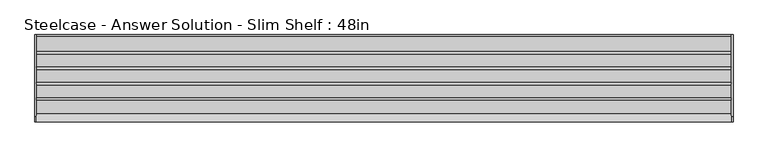
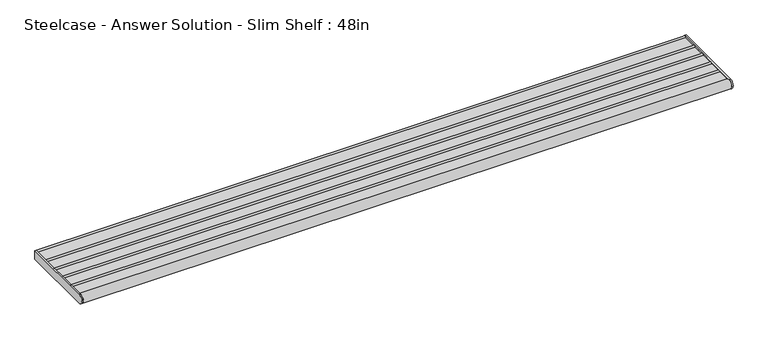
"""IFC4 building model written with IfcOpenShell, lengths in millimetres: furniture geometry, Steelcase - Answer Solution - Slim Shelf : 48in."""

from ifc_helpers import new_model, si_unit, point, frame, frame_2d, origin, place, context, project, spatial, polyline, circle_curve, trimmed, segment, composite_curve, outline, extrude, source, transform, mapped, element, save


def steelcase_answer_solution_slim_shelf_48in_e23fa44c(model_context):
    return source(origin(), model_context, "Body", "SweptSolid", [
        extrude(outline(composite_curve([segment(polyline([(-29.2099994, 928.482716), (-2.2859999, 928.482716)]), True, "CONTINUOUS"), segment(trimmed(circle_curve(frame_2d((1e-07, 928.482716)), 2.2860001), [point((-2.2859999, 928.482716))], [point((0.0, 930.7687161))], False, "CARTESIAN"), True, "CONTINUOUS"), segment(polyline([(0.0, 930.7687161), (0.0, 914.4), (-143.9753135, 914.4)]), True, "CONTINUOUS"), segment(trimmed(circle_curve(frame_2d((-143.9753135, 922.8328065)), 8.4328065), [point((-143.9753135, 914.4))], [point((-137.7150621, 928.482716))], False, "CARTESIAN"), True, "CONTINUOUS"), segment(polyline([(-137.7150621, 928.482716), (-114.7063978, 928.482716)]), True, "CONTINUOUS"), segment(trimmed(circle_curve(frame_2d((-112.4204, 928.482716)), 2.2859978), [point((-114.7063978, 928.482716))], [point((-110.1344022, 928.482716))], False, "CARTESIAN"), True, "CONTINUOUS"), segment(polyline([(-110.1344022, 928.482716), (-87.7315999, 928.482716)]), True, "CONTINUOUS"), segment(trimmed(circle_curve(frame_2d((-85.4456021, 928.482716)), 2.2859978), [point((-87.7315999, 928.482716))], [point((-83.1596043, 928.482716))], False, "CARTESIAN"), True, "CONTINUOUS"), segment(polyline([(-83.1596043, 928.482716), (-60.756802, 928.482716)]), True, "CONTINUOUS"), segment(trimmed(circle_curve(frame_2d((-58.4708019, 928.482716)), 2.2860001), [point((-60.756802, 928.482716))], [point((-56.1848018, 928.482716))], False, "CARTESIAN"), True, "CONTINUOUS"), segment(polyline([(-56.1848018, 928.482716), (-33.7819996, 928.482716)]), True, "CONTINUOUS"), segment(trimmed(circle_curve(frame_2d((-31.4959995, 928.482716)), 2.2860001), [point((-33.7819996, 928.482716))], [point((-29.2099994, 928.482716))], False, "CARTESIAN"), True, "CONTINUOUS")], self_intersect=False)), frame((2.7431999, 0.0, 0.0), z_axis=(1.0, 0.0, 0.0), x_axis=(0.0, 1.0, 0.0)), (0.0, 0.0, 1.0), 1213.6120001),
        extrude(outline(composite_curve([segment(polyline([(-143.9753135, 931.265613), (0.0, 931.265613), (0.0, 914.4), (-143.9753135, 914.4)]), True, "CONTINUOUS"), segment(trimmed(circle_curve(frame_2d((-143.9753135, 922.8328065)), 8.4328065), [point((-143.9753135, 914.4))], [point((-143.9753135, 931.265613))], False, "CARTESIAN"), True, "CONTINUOUS")], self_intersect=False)), frame((1216.3552, 0.0, 0.0), z_axis=(1.0, 0.0, 0.0), x_axis=(0.0, 1.0, 0.0)), (0.0, 0.0, 1.0), 2.8448),
        extrude(outline(composite_curve([segment(polyline([(-143.9753135, 931.265613), (0.0, 931.265613), (0.0, 914.4), (-143.9753135, 914.4)]), True, "CONTINUOUS"), segment(trimmed(circle_curve(frame_2d((-143.9753135, 922.8328065)), 8.4328065), [point((-143.9753135, 914.4))], [point((-143.9753135, 931.265613))], False, "CARTESIAN"), True, "CONTINUOUS")], self_intersect=False)), frame((0.0, 0.0, 0.0), z_axis=(1.0, 0.0, 0.0), x_axis=(0.0, 1.0, 0.0)), (0.0, 0.0, 1.0), 2.7431999),
    ])


if __name__ == "__main__":
    model = new_model("IFC4")
    model_context = context("Model", 3, world=origin())
    ifc_project = project(units=[si_unit("LENGTHUNIT", "METRE", prefix="MILLI")], contexts=[model_context])
    site = spatial("IfcSite", under=ifc_project)
    building = spatial("IfcBuilding", under=site)
    placement = place(None, origin())
    steelcase_answer_solution_slim_shelf_48in_shape = steelcase_answer_solution_slim_shelf_48in_e23fa44c(model_context)
    element("IfcFurniture", 1, ObjectType="Steelcase - Answer Solution - Slim Shelf : 48in", at=placement, inside=building, context=model_context, shape_type="MappedRepresentation", body=[
        mapped(steelcase_answer_solution_slim_shelf_48in_shape, transform((0.0, 0.0, 0.0), x_axis=(1.0, 0.0, 0.0), y_axis=(0.0, 1.0, 0.0), z_axis=(0.0, 0.0, 1.0))),
    ])
    save(model, "model.ifc")
